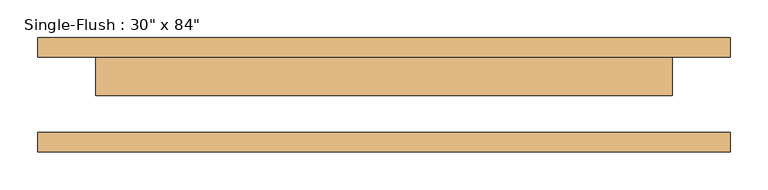
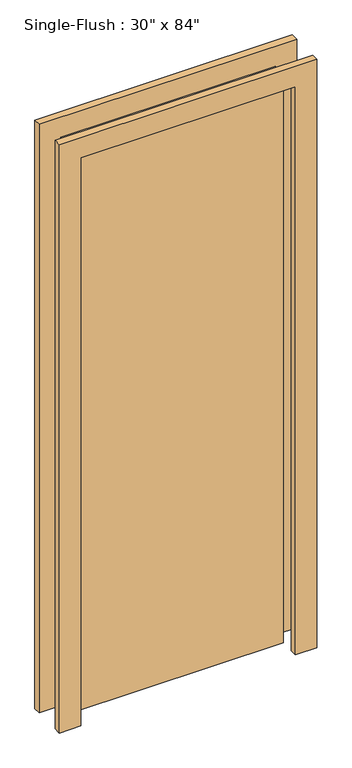
"""IFC4 building model written with IfcOpenShell, lengths in millimetres: door geometry."""

from ifc_helpers import new_model, si_unit, frame, origin, origin_with_axes, place, context, project, spatial, polyline, outline, extrude, source, transform, mapped, element, save


def door_a6e3da16(model_context):
    return source(origin(), model_context, "Body", "SweptSolid", [
        extrude(outline(polyline([(2209.8, -457.2), (0.0, -457.2), (0.0, -381.0), (2133.6, -381.0), (2133.6, 381.0), (0.0, 381.0), (0.0, 457.2), (2209.8, 457.2), (2209.8, -457.2)])), frame((0.0, 50.0, 0.0), z_axis=(0.0, 1.0, 0.0), x_axis=(0.0, 0.0, 1.0)), (0.0, 0.0, 1.0), 25.4),
        extrude(outline(polyline([(2209.8, 457.2), (2209.8, -457.2), (0.0, -457.2), (0.0, -381.0), (2133.6, -381.0), (2133.6, 381.0), (0.0, 381.0), (0.0, 457.2), (2209.8, 457.2)])), frame((0.0, -75.4, 0.0), z_axis=(0.0, 1.0, 0.0), x_axis=(0.0, 0.0, 1.0)), (0.0, 0.0, 1.0), 25.4),
        extrude(outline(polyline([(381.0, -0.8), (-381.0, -0.8), (-381.0, 50.0), (381.0, 50.0), (381.0, -0.8)])), origin_with_axes(), (0.0, 0.0, 1.0), 2133.6),
    ])


if __name__ == "__main__":
    model = new_model("IFC4")
    model_context = context("Model", 3, world=origin())
    ifc_project = project(units=[si_unit("LENGTHUNIT", "METRE", prefix="MILLI")], contexts=[model_context])
    site = spatial("IfcSite", under=ifc_project)
    building = spatial("IfcBuilding", under=site)
    placement = place(None, origin())
    door_shape = door_a6e3da16(model_context)
    element("IfcDoor", 1, ObjectType="Single-Flush : 30\" x 84\"", at=placement, inside=building, context=model_context, shape_type="MappedRepresentation", body=[
        mapped(door_shape, transform((0.0, 0.0, 0.0), x_axis=(1.0, 0.0, 0.0), y_axis=(0.0, 1.0, 0.0), z_axis=(0.0, 0.0, 1.0))),
    ])
    save(model, "model.ifc")
